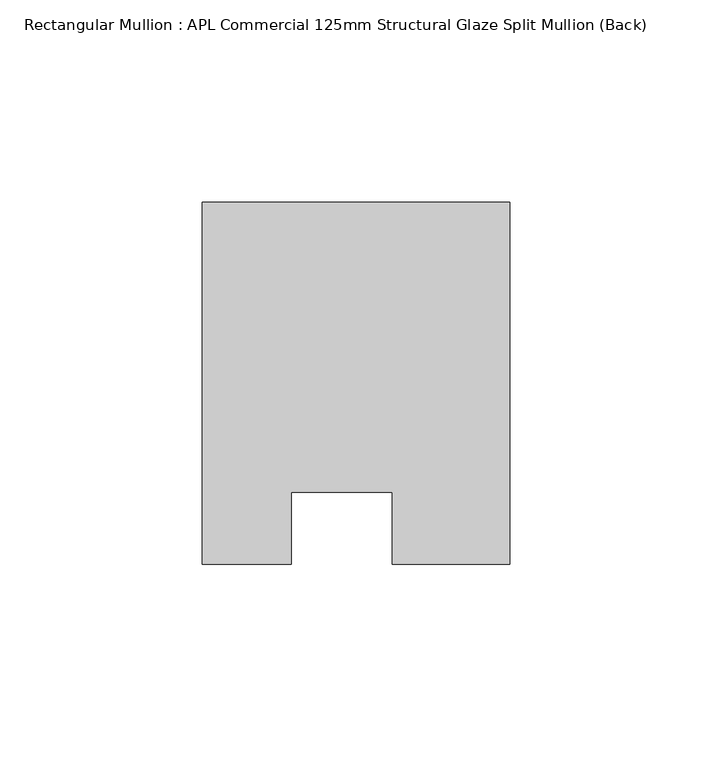
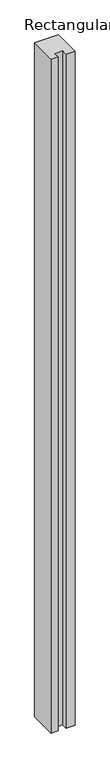
"""IFC4 building model written with IfcOpenShell, lengths in millimetres: member geometry, Rectangular Mullion : APL Commercial 125mm Structural Glaze Split Mullion (Back)."""

from ifc_helpers import new_model, si_unit, frame, origin, place, context, project, spatial, polyline, outline, extrude, source, transform, mapped, element, save


def rectangular_mullion_apl_commercial_125mm_structural_glaze_20159aeb(model_context):
    return source(origin(), model_context, "Body", "SweptSolid", [
        extrude(outline(polyline([(37.9999914, 104.4960123), (37.9999914, 14.9960123), (9.0, 14.9960123), (9.0, 32.7960123), (-16.0, 32.7960123), (-16.0, 14.9960123), (-37.9999896, 14.9960123), (-37.9999896, 104.4960123), (37.9999914, 104.4960123)])), frame((0.0, 0.0, -2254.0000029), z_axis=(0.0, 0.0, 1.0), x_axis=(1.0, 0.0, 0.0)), (0.0, 0.0, 1.0), 2254.0000029),
    ])


if __name__ == "__main__":
    model = new_model("IFC4")
    model_context = context("Model", 3, world=origin())
    ifc_project = project(units=[si_unit("LENGTHUNIT", "METRE", prefix="MILLI")], contexts=[model_context])
    site = spatial("IfcSite", under=ifc_project)
    building = spatial("IfcBuilding", under=site)
    placement = place(None, origin())
    rectangular_mullion_apl_commercial_125mm_structural_glaze_shape = rectangular_mullion_apl_commercial_125mm_structural_glaze_20159aeb(model_context)
    element("IfcMember", 1, ObjectType="Rectangular Mullion : APL Commercial 125mm Structural Glaze Split Mullion (Back)", at=placement, inside=building, context=model_context, shape_type="MappedRepresentation", body=[
        mapped(rectangular_mullion_apl_commercial_125mm_structural_glaze_shape, transform((0.0, 0.0, 0.0), x_axis=(1.0, 0.0, 0.0), y_axis=(0.0, 1.0, 0.0), z_axis=(0.0, 0.0, 1.0))),
    ])
    save(model, "model.ifc")
